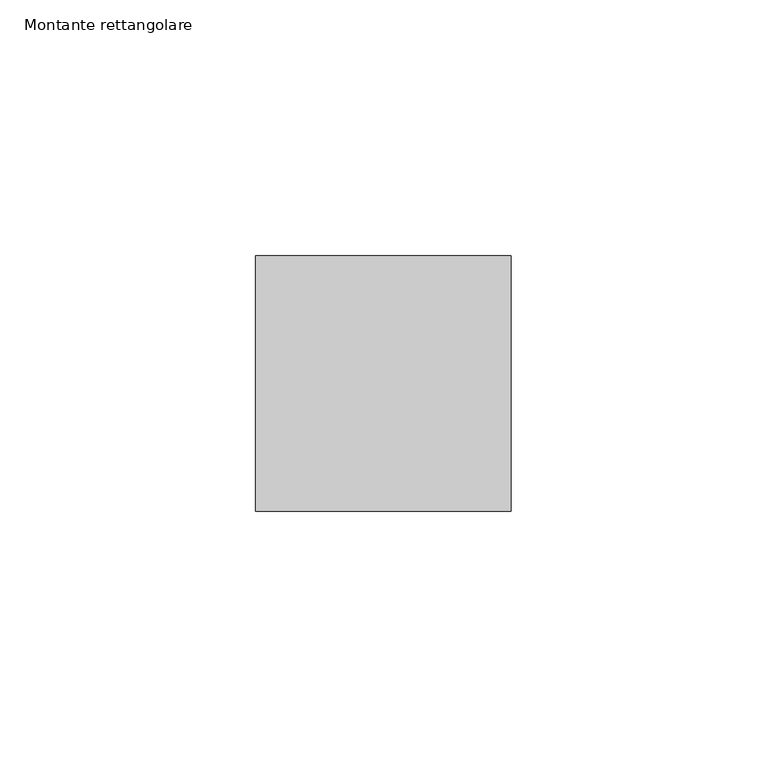
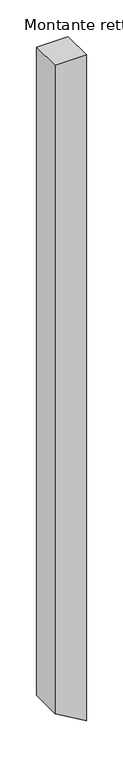
"""IFC4 building model written with IfcOpenShell, lengths in millimetres: member geometry, Montante rettangolare."""

from ifc_helpers import new_model, si_unit, frame, origin, place, context, project, spatial, polyline, outline, extrude, source, transform, mapped, element, save


def montante_rettangolare_4ad485ed(model_context):
    return source(origin(), model_context, "Body", "SweptSolid", [
        extrude(outline(polyline([(0.0, 0.0), (0.0, -50.0), (-1078.9132083, -50.0), (-1108.3654591, 0.0), (0.0, 0.0)])), frame((0.0, -25.0, 0.0), z_axis=(0.0, 1.0, 0.0), x_axis=(0.0, 0.0, 1.0)), (0.0, 0.0, 1.0), 50.0),
    ])


if __name__ == "__main__":
    model = new_model("IFC4")
    model_context = context("Model", 3, world=origin())
    ifc_project = project(units=[si_unit("LENGTHUNIT", "METRE", prefix="MILLI")], contexts=[model_context])
    site = spatial("IfcSite", under=ifc_project)
    building = spatial("IfcBuilding", under=site)
    placement = place(None, origin())
    montante_rettangolare_shape = montante_rettangolare_4ad485ed(model_context)
    element("IfcMember", 1, ObjectType="Montante rettangolare", at=placement, inside=building, context=model_context, shape_type="MappedRepresentation", body=[
        mapped(montante_rettangolare_shape, transform((0.0, 0.0, 0.0), x_axis=(1.0, 0.0, 0.0), y_axis=(0.0, 1.0, 0.0), z_axis=(0.0, 0.0, 1.0))),
    ])
    save(model, "model.ifc")
